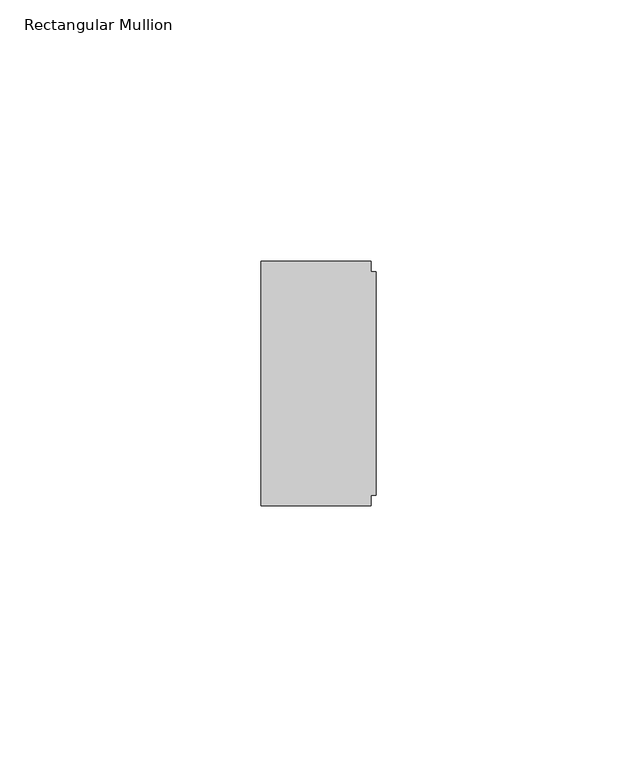
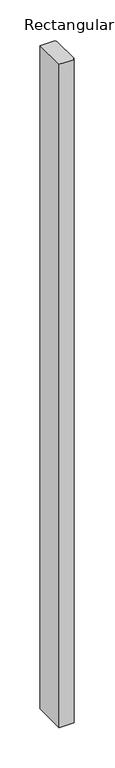
"""IFC4 building model written with IfcOpenShell, lengths in millimetres: member geometry, Rectangular Mullion."""

from ifc_helpers import new_model, si_unit, frame, origin, place, context, project, spatial, polyline, outline, extrude, source, transform, mapped, element, save


def rectangular_mullion_c2e4a91b(model_context):
    return source(origin(), model_context, "Body", "SweptSolid", [
        extrude(outline(polyline([(-1.0, 23.4), (-1.0, 21.4), (0.0, 21.4), (0.0, -21.4), (-1.0, -21.4), (-1.0, -23.4), (-22.0, -23.4), (-22.0, 23.4), (-1.0, 23.4)])), frame((0.0, 0.0, -1000.0), z_axis=(0.0, 0.0, 1.0), x_axis=(1.0, 0.0, 0.0)), (0.0, 0.0, 1.0), 1000.0),
    ])


if __name__ == "__main__":
    model = new_model("IFC4")
    model_context = context("Model", 3, world=origin())
    ifc_project = project(units=[si_unit("LENGTHUNIT", "METRE", prefix="MILLI")], contexts=[model_context])
    site = spatial("IfcSite", under=ifc_project)
    building = spatial("IfcBuilding", under=site)
    placement = place(None, origin())
    rectangular_mullion_shape = rectangular_mullion_c2e4a91b(model_context)
    element("IfcMember", 1, ObjectType="Rectangular Mullion", at=placement, inside=building, context=model_context, shape_type="MappedRepresentation", body=[
        mapped(rectangular_mullion_shape, transform((0.0, 0.0, 0.0), x_axis=(1.0, 0.0, 0.0), y_axis=(0.0, 1.0, 0.0), z_axis=(0.0, 0.0, 1.0))),
    ])
    save(model, "model.ifc")
